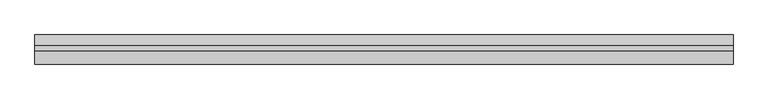
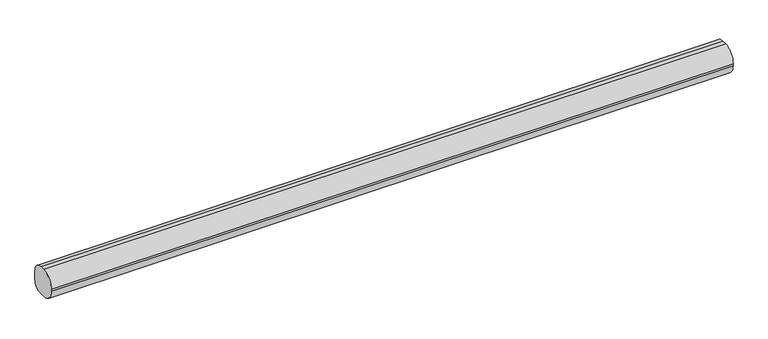
"""IFC4 building model written with IfcOpenShell, lengths in millimetres: light fixture geometry."""

from ifc_helpers import new_model, si_unit, point, frame, frame_2d, origin, place, context, project, spatial, polyline, circle_curve, trimmed, segment, composite_curve, outline, extrude, source, transform, mapped, element, save


def light_fixture_f2d7f448(model_context):
    return source(origin(), model_context, "Body", "SweptSolid", [
        extrude(outline(composite_curve([segment(trimmed(circle_curve(frame_2d((6.35, 31.75)), 19.05), [point((6.35, 50.8))], [point((25.4, 31.75))], False, "CARTESIAN"), True, "CONTINUOUS"), segment(polyline([(25.4, 31.75), (25.4, 14.6641945)]), True, "CONTINUOUS"), segment(trimmed(circle_curve(frame_2d((10.7358055, 14.6641945)), 14.6641945), [point((25.4, 14.6641945))], [point((10.7358055, 0.0))], False, "CARTESIAN"), True, "CONTINUOUS"), segment(polyline([(10.7358055, 0.0), (-1.9641945, 0.0)]), True, "CONTINUOUS"), segment(trimmed(circle_curve(frame_2d((-1.9641945, 23.4358055)), 23.4358055), [point((-1.9641945, 0.0))], [point((-25.4, 23.4358055))], False, "CARTESIAN"), True, "CONTINUOUS"), segment(polyline([(-25.4, 23.4358055), (-25.4, 27.3641945)]), True, "CONTINUOUS"), segment(trimmed(circle_curve(frame_2d((-1.9641945, 27.3641945)), 23.4358055), [point((-25.4, 27.3641945))], [point((-1.9641945, 50.8))], False, "CARTESIAN"), True, "CONTINUOUS"), segment(polyline([(-1.9641945, 50.8), (6.35, 50.8)]), True, "CONTINUOUS")], self_intersect=False)), frame((-609.6, 0.0, 0.0), z_axis=(1.0, 0.0, 0.0), x_axis=(0.0, 1.0, 0.0)), (0.0, 0.0, 1.0), 1219.2),
    ])


if __name__ == "__main__":
    model = new_model("IFC4")
    model_context = context("Model", 3, world=origin())
    ifc_project = project(units=[si_unit("LENGTHUNIT", "METRE", prefix="MILLI")], contexts=[model_context])
    site = spatial("IfcSite", under=ifc_project)
    building = spatial("IfcBuilding", under=site)
    placement = place(None, origin())
    light_fixture_shape = light_fixture_f2d7f448(model_context)
    element("IfcLightFixture", 1, at=placement, inside=building, context=model_context, shape_type="MappedRepresentation", body=[
        mapped(light_fixture_shape, transform((0.0, 0.0, 0.0), x_axis=(1.0, 0.0, 0.0), y_axis=(0.0, 1.0, 0.0), z_axis=(0.0, 0.0, 1.0))),
    ])
    save(model, "model.ifc")
